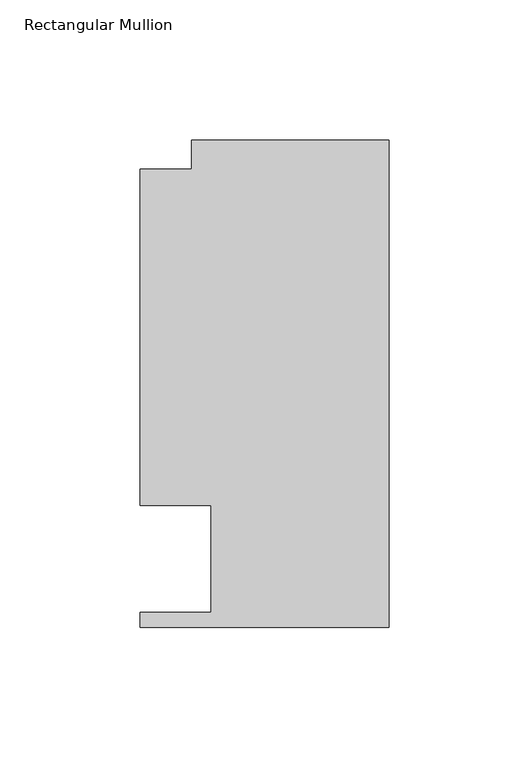
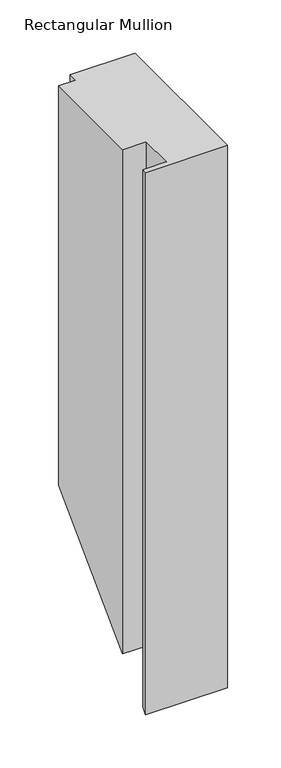
"""IFC4 building model written with IfcOpenShell, lengths in millimetres: member geometry, Rectangular Mullion."""

from ifc_helpers import new_model, si_unit, origin, place, context, project, spatial, faceted_brep, source, transform, mapped, element, save


def rectangular_mullion_d0c7571f(model_context):
    return source(origin(), model_context, "Body", "Brep", [
        faceted_brep([(-88.9131928, 151.892, 0.0), (-88.9131928, 31.75, 0.0), (-63.5131928, 31.75, 0.0), (-63.5131928, -6.35, 0.0), (-88.9131928, -6.35, 0.0), (-88.9131928, -11.684, 0.0), (0.0, -11.684, 0.0), (0.0, 162.3059961, 0.0), (-70.395709, 162.3059961, 0.0), (-70.395709, 151.892, 0.0), (-88.9131928, 151.892, -457.708), (-88.9131928, 31.75, -577.85), (-63.5131928, 31.75, -577.85), (-63.5131928, -6.35, -615.95), (-88.9131928, -6.35, -615.95), (-88.9131928, -11.684, -621.284), (0.0, -11.684, -621.284), (0.0, 162.3059961, -447.2940039), (-70.395709, 162.3059961, -447.2940039), (-70.395709, 151.892, -457.708)], [[[0, 1, 2, 3, 4, 5, 6, 7, 8, 9]], [[1, 0, 10, 11]], [[2, 1, 11, 12]], [[3, 2, 12, 13]], [[4, 3, 13, 14]], [[5, 4, 14, 15]], [[6, 5, 15, 16]], [[7, 6, 16, 17]], [[8, 7, 17, 18]], [[9, 8, 18, 19]], [[0, 9, 19, 10]], [[10, 19, 18, 17, 16, 15, 14, 13, 12, 11]]]),
    ])


if __name__ == "__main__":
    model = new_model("IFC4")
    model_context = context("Model", 3, world=origin())
    ifc_project = project(units=[si_unit("LENGTHUNIT", "METRE", prefix="MILLI")], contexts=[model_context])
    site = spatial("IfcSite", under=ifc_project)
    building = spatial("IfcBuilding", under=site)
    placement = place(None, origin())
    rectangular_mullion_shape = rectangular_mullion_d0c7571f(model_context)
    element("IfcMember", 1, ObjectType="Rectangular Mullion", at=placement, inside=building, context=model_context, shape_type="MappedRepresentation", body=[
        mapped(rectangular_mullion_shape, transform((0.0, 0.0, 0.0), x_axis=(1.0, 0.0, 0.0), y_axis=(0.0, 1.0, 0.0), z_axis=(0.0, 0.0, 1.0))),
    ])
    save(model, "model.ifc")
